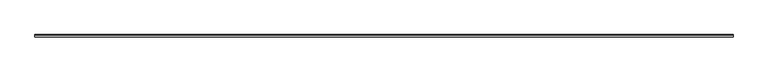
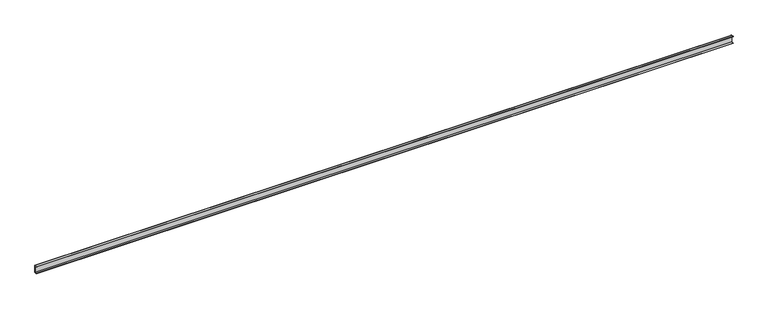
"""IFC4 building model written with IfcOpenShell, lengths in millimetres: proxy geometry."""

from ifc_helpers import new_model, si_unit, point, frame, frame_2d, origin, place, context, project, spatial, polyline, circle_curve, trimmed, segment, composite_curve, outline, extrude, source, transform, mapped, element, save


def mechanical_equipment_6b929bf0(model_context):
    return source(origin(), model_context, "Body", "SweptSolid", [
        extrude(outline(composite_curve([segment(polyline([(-6.0, 36.8), (-6.0, 38.0), (4.8, 38.0)]), True, "CONTINUOUS"), segment(trimmed(circle_curve(frame_2d((4.8, 36.8)), 1.2), [point((4.8, 38.0))], [point((6.0, 36.8))], False, "CARTESIAN"), True, "CONTINUOUS"), segment(polyline([(6.0, 36.8), (6.0, 1.2)]), True, "CONTINUOUS"), segment(trimmed(circle_curve(frame_2d((4.8, 1.2)), 1.2), [point((6.0, 1.2))], [point((4.8, 0.0))], False, "CARTESIAN"), True, "CONTINUOUS"), segment(polyline([(4.8, 0.0), (-6.0, 0.0), (-6.0, 1.2), (4.8, 1.2), (4.8, 36.8), (-6.0, 36.8)]), True, "CONTINUOUS")], self_intersect=False)), frame((0.0, 0.0, 0.0), z_axis=(1.0, 0.0, 0.0), x_axis=(0.0, 1.0, 0.0)), (0.0, 0.0, 1.0), 3500.0),
    ])


if __name__ == "__main__":
    model = new_model("IFC4")
    model_context = context("Model", 3, world=origin())
    ifc_project = project(units=[si_unit("LENGTHUNIT", "METRE", prefix="MILLI")], contexts=[model_context])
    site = spatial("IfcSite", under=ifc_project)
    building = spatial("IfcBuilding", under=site)
    placement = place(None, origin())
    mechanical_equipment_shape = mechanical_equipment_6b929bf0(model_context)
    element("IfcBuildingElementProxy", 1, Name="Mechanical Equipment", at=placement, inside=building, context=model_context, shape_type="MappedRepresentation", body=[
        mapped(mechanical_equipment_shape, transform((0.0, 0.0, 0.0), x_axis=(1.0, 0.0, 0.0), y_axis=(0.0, 1.0, 0.0), z_axis=(0.0, 0.0, 1.0))),
    ])
    save(model, "model.ifc")
